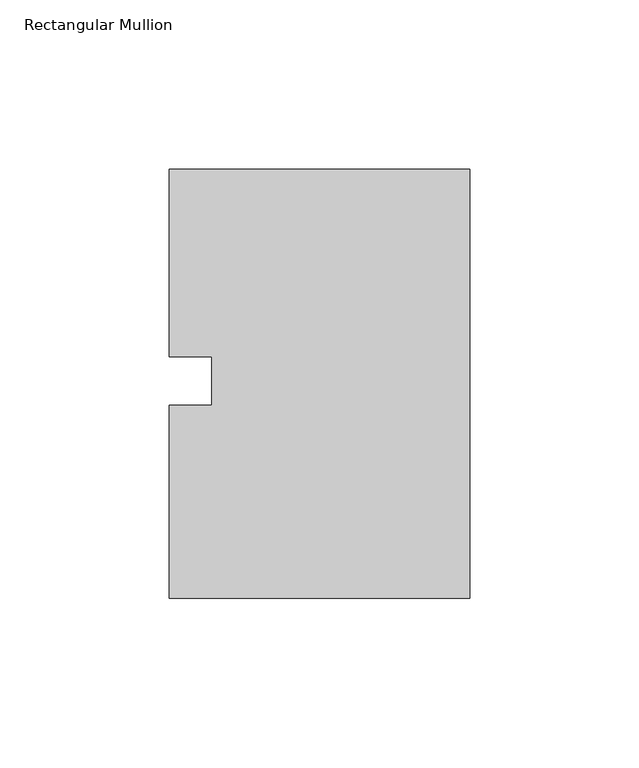
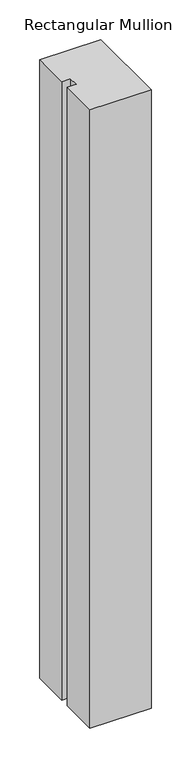
"""IFC4 building model written with IfcOpenShell, lengths in millimetres: member geometry, Rectangular Mullion."""

import ifcopenshell
import ifcopenshell.guid

model = None  # the IFC model being written
_history = None  # IfcOwnerHistory: only IFC2X3 demands one
_inside = {}  # id of a spatial element -> (the spatial element, [elements in it])
_under = {}  # id of a project, library or spatial element -> (it, [spatial elements below it])
_declared = {}  # id of a project -> (the project, [libraries it declares])
_typed = {}  # id of a type object -> (the type object, [elements of that type])
_made_of = {}  # id of a material, layer set ... -> (it, [elements and type objects made of it])


def new_model(schema):
    """Start an empty IFC model of exactly this schema.

    Asked for "IFC4X3", IfcOpenShell would pick the latest addendum, in which some entities
    have other attributes; the version numbers below select the first issue.
    IFC2X3 requires an IfcOwnerHistory on every rooted entity: one is made here for all.
    """
    global model, _history
    if schema == "IFC4X3":
        model = ifcopenshell.file(schema_version=(4, 3, 0, 0))
    else:
        model = ifcopenshell.file(schema=schema)
    _inside.clear()
    _under.clear()
    _declared.clear()
    _typed.clear()
    _made_of.clear()
    _history = None
    if model.schema == "IFC2X3":
        org = make("IfcOrganization", Name="unknown")
        user = make(
            "IfcPersonAndOrganization",
            ThePerson=make("IfcPerson", FamilyName="unknown"),
            TheOrganization=org,
        )
        app = make(
            "IfcApplication",
            ApplicationDeveloper=org,
            Version="unknown",
            ApplicationFullName="unknown",
            ApplicationIdentifier="unknown",
        )
        _history = make(
            "IfcOwnerHistory",
            OwningUser=user,
            OwningApplication=app,
            ChangeAction="ADDED",
            CreationDate=0,
        )
    return model


def make(cls, **values):
    """One entity of the class cls with the attributes given. An attribute that is None is left unset."""
    return model.create_entity(
        cls, **{name: value for name, value in values.items() if value is not None}
    )


def rooted(cls, **values):
    """An entity with a GlobalId (a new one), such as an element, a storey or a relation."""
    return make(cls, GlobalId=ifcopenshell.guid.new(), OwnerHistory=_history, **values)


def si_unit(unit_type, name, prefix=None):
    """IfcSIUnit, for example si_unit("LENGTHUNIT", "METRE", prefix="MILLI")."""
    return make("IfcSIUnit", UnitType=unit_type, Prefix=prefix, Name=name)


def assignment(units):
    """IfcUnitAssignment: the units of a project."""
    return None if units is None else make("IfcUnitAssignment", Units=units)


def point(xyz):
    """IfcCartesianPoint."""
    return None if xyz is None else make("IfcCartesianPoint", Coordinates=xyz)


def direction(xyz):
    """IfcDirection."""
    return None if xyz is None else make("IfcDirection", DirectionRatios=xyz)


def frame(location, z_axis=None, x_axis=None):
    """IfcAxis2Placement3D, a coordinate frame: its origin and axes. An axis left out is left unset."""
    return make(
        "IfcAxis2Placement3D",
        Location=point(location),
        Axis=direction(z_axis),
        RefDirection=direction(x_axis),
    )


def origin():
    """The frame at (0, 0, 0) with its axes left unset."""
    return frame((0.0, 0.0, 0.0))


def place(relative_to, where):
    """IfcLocalPlacement: puts the frame where relative to a parent placement (None: the world)."""
    return make(
        "IfcLocalPlacement", PlacementRelTo=relative_to, RelativePlacement=where
    )


def context(
    kind, dimensions, precision=None, world=None, true_north=None, identifier=None
):
    """IfcGeometricRepresentationContext, for example the 3D "Model" context."""
    return make(
        "IfcGeometricRepresentationContext",
        ContextIdentifier=identifier,
        ContextType=kind,
        CoordinateSpaceDimension=dimensions,
        Precision=precision,
        WorldCoordinateSystem=world,
        TrueNorth=true_north,
    )


def project(units=None, contexts=None):
    """IfcProject with its units and contexts."""
    return rooted(
        "IfcProject",
        Name="project",
        RepresentationContexts=contexts,
        UnitsInContext=assignment(units),
    )


def spatial(cls, under=None, at=None, **own):
    """A site, building, storey or space (cls), placed at a placement, below another one or the project."""
    s = rooted(cls, ObjectPlacement=at, **own)
    if under is not None:
        _under.setdefault(under.id(), (under, []))[1].append(s)
    return s


def polyline(points):
    """IfcPolyline through the points."""
    return make("IfcPolyline", Points=[point(p) for p in points])


def outline(outer, holes=None, kind="AREA"):
    """IfcArbitraryClosedProfileDef: a profile drawn as a closed curve; with holes, ...WithVoids."""
    if holes is None:
        return make("IfcArbitraryClosedProfileDef", ProfileType=kind, OuterCurve=outer)
    return make(
        "IfcArbitraryProfileDefWithVoids",
        ProfileType=kind,
        OuterCurve=outer,
        InnerCurves=holes,
    )


def extrude(swept, where, along, depth):
    """IfcExtrudedAreaSolid: the profile swept, set in the frame where, extruded along a direction by depth."""
    return make(
        "IfcExtrudedAreaSolid",
        SweptArea=swept,
        Position=where,
        ExtrudedDirection=direction(along),
        Depth=depth,
    )


def shape(context_of_items, identifier, shape_type, items):
    """IfcShapeRepresentation: the items that make up one representation, for example the "Body"."""
    return make(
        "IfcShapeRepresentation",
        ContextOfItems=context_of_items,
        RepresentationIdentifier=identifier,
        RepresentationType=shape_type,
        Items=items,
    )


def source(mapping_origin, context_of_items, identifier, shape_type, items):
    """IfcRepresentationMap: a shape defined once, which mapped items show again and again."""
    return make(
        "IfcRepresentationMap",
        MappingOrigin=mapping_origin,
        MappedRepresentation=shape(context_of_items, identifier, shape_type, items),
    )


def transform(
    local_origin,
    x_axis=None,
    y_axis=None,
    z_axis=None,
    scale=None,
    scale2=None,
    scale3=None,
    uniform=True,
):
    """IfcCartesianTransformationOperator3D, or its non-uniform kind. x_axis, y_axis, z_axis: its Axis1, 2, 3."""
    if uniform:
        return make(
            "IfcCartesianTransformationOperator3D",
            Axis1=direction(x_axis),
            Axis2=direction(y_axis),
            LocalOrigin=point(local_origin),
            Scale=scale,
            Axis3=direction(z_axis),
        )
    return make(
        "IfcCartesianTransformationOperator3DnonUniform",
        Axis1=direction(x_axis),
        Axis2=direction(y_axis),
        LocalOrigin=point(local_origin),
        Scale=scale,
        Axis3=direction(z_axis),
        Scale2=scale2,
        Scale3=scale3,
    )


def mapped(mapping_source, mapping_target):
    """IfcMappedItem: shows the shape of a source again, moved by a transform."""
    return make(
        "IfcMappedItem", MappingSource=mapping_source, MappingTarget=mapping_target
    )


def made_of(thing, what):
    """Note that an element or type object is made of a material, layer set ...; save() writes the relation."""
    if what is not None:
        _made_of.setdefault(what.id(), (what, []))[1].append(thing)
    return thing


def element(
    cls,
    number,
    at=None,
    inside=None,
    cuts=None,
    type_object=None,
    material=None,
    context=None,
    identifier="Body",
    shape_type=None,
    held_by="IfcProductDefinitionShape",
    body=None,
    shapes=None,
    **own,
):
    """One element of the class cls, such as IfcWall. Its Tag is "e" and its number.

    at: its placement. inside: the storey or other place that contains it. cuts: it is an
    opening in that element (IfcRelVoidsElement). A single representation is given by context,
    identifier, shape_type and body (its items); several are given by shapes. held_by: the class
    of the entity that holds the representations. save() writes the other relations.
    """
    e = rooted(cls, Tag="e%d" % number, ObjectPlacement=at, **own)
    if body is not None:
        shapes = [shape(context, identifier, shape_type, body)]
    if shapes is not None:
        e.Representation = make(held_by, Representations=shapes)
    if inside is not None:
        _inside.setdefault(inside.id(), (inside, []))[1].append(e)
    if cuts is not None:
        rooted(
            "IfcRelVoidsElement", RelatingBuildingElement=cuts, RelatedOpeningElement=e
        )
    if type_object is not None:
        _typed.setdefault(type_object.id(), (type_object, []))[1].append(e)
    return made_of(e, material)


def aggregate(whole, parts):
    """IfcRelAggregates: a whole, such as a stair, and the parts it consists of."""
    return rooted("IfcRelAggregates", RelatingObject=whole, RelatedObjects=parts)


def save(model, path):
    """Write the relations noted so far, then the file.

    IfcRelAggregates (storeys below a building ...), IfcRelContainedInSpatialStructure (elements
    in a storey), IfcRelDefinesByType, IfcRelAssociatesMaterial and IfcRelDeclares: one each for
    every whole, place, type object, material and project.
    """
    for whole, parts in _under.values():
        aggregate(whole, parts)
    for where, things in _inside.values():
        rooted(
            "IfcRelContainedInSpatialStructure",
            RelatedElements=things,
            RelatingStructure=where,
        )
    for kind, things in _typed.values():
        rooted("IfcRelDefinesByType", RelatedObjects=things, RelatingType=kind)
    for what, things in _made_of.values():
        rooted("IfcRelAssociatesMaterial", RelatedObjects=things, RelatingMaterial=what)
    for by, libraries in _declared.values():
        rooted("IfcRelDeclares", RelatingContext=by, RelatedDefinitions=libraries)
    model.write(path)


def rectangular_mullion_1ff6676a(model_context):
    return source(origin(), model_context, "Body", "SweptSolid", [
        extrude(outline(polyline([(-88.9, 62.70625), (0.0, 62.70625), (0.0, -64.29375), (-88.9, -64.29375), (-88.9, -7.14375), (-76.1982296, -7.14375), (-76.1982296, 7.14375), (-88.9, 7.14375), (-88.9, 62.70625)])), frame((0.0, 0.0, -952.5), z_axis=(0.0, 0.0, 1.0), x_axis=(1.0, 0.0, 0.0)), (0.0, 0.0, 1.0), 952.5),
    ])


if __name__ == "__main__":
    model = new_model("IFC4")
    model_context = context("Model", 3, world=origin())
    ifc_project = project(units=[si_unit("LENGTHUNIT", "METRE", prefix="MILLI")], contexts=[model_context])
    site = spatial("IfcSite", under=ifc_project)
    building = spatial("IfcBuilding", under=site)
    placement = place(None, origin())
    rectangular_mullion_shape = rectangular_mullion_1ff6676a(model_context)
    element("IfcMember", 1, ObjectType="Rectangular Mullion", at=placement, inside=building, context=model_context, shape_type="MappedRepresentation", body=[
        mapped(rectangular_mullion_shape, transform((0.0, 0.0, 0.0), x_axis=(1.0, 0.0, 0.0), y_axis=(0.0, 1.0, 0.0), z_axis=(0.0, 0.0, 1.0))),
    ])
    save(model, "model.ifc")
